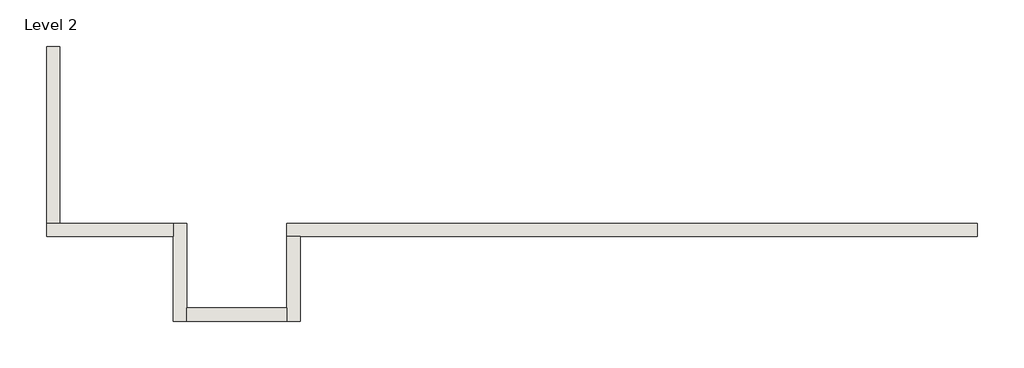
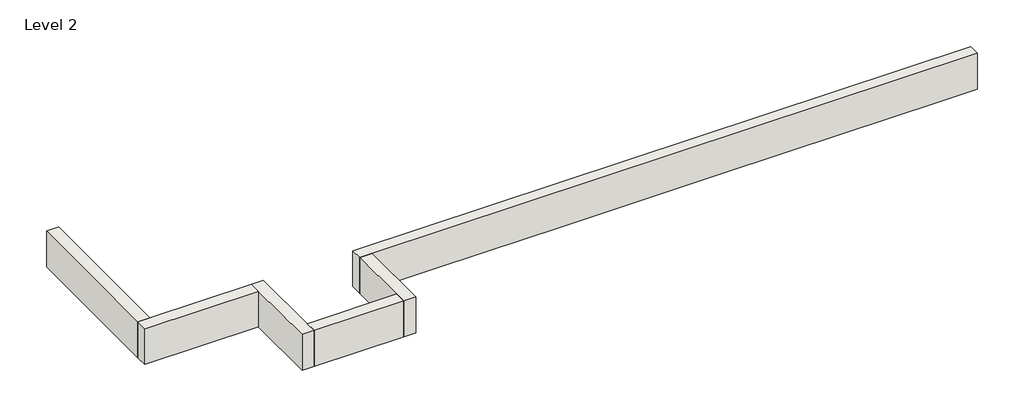
# One storey: 6 walls.
"""IFC4 building model written with IfcOpenShell, lengths in millimetres."""

from ifc_helpers import new_model, si_unit, frame, origin, place, context, project, spatial, polyline, outline, extrude, faceted_brep, element, save

model = new_model("IFC4")

# Units and contexts
model_context = context("Model", 3, world=origin())
ifc_project = project(units=[si_unit("LENGTHUNIT", "METRE", prefix="MILLI")], contexts=[model_context])

# Site, building, storey
site = spatial("IfcSite", under=ifc_project)
building = spatial("IfcBuilding", under=site)
storey = spatial("IfcBuildingStorey", under=building, Name="Level 2", Elevation=3048.0)

# Walls
placement = place(None, origin())
element("IfcWall", 1, ObjectType="Generic - 8\" Brick", at=placement, inside=storey, context=model_context, shape_type="Brep", body=[
    faceted_brep([(11582.357857, 1412.8726187, 3048.0), (10972.757857, 1412.8726187, 3048.0), (8534.357857, 1412.8726187, 3048.0), (7315.157857, 1412.8726187, 3048.0), (4876.757857, 1412.8726187, 3048.0), (3657.557857, 1412.8726187, 3048.0), (1635.0852383, 1412.8726187, 3048.0), (1635.0852383, 1412.8726187, 3657.6), (11582.357857, 1412.8726187, 3657.6), (11582.357857, 1219.1976187, 3048.0), (11582.357857, 1219.1976187, 3657.6), (1828.7602383, 1219.1976187, 3657.6), (1635.0852383, 1219.1976187, 3657.6), (1635.0852383, 1219.1976187, 3048.0), (1828.7602383, 1219.1976187, 3048.0), (3657.557857, 1219.1976187, 3048.0), (4876.757857, 1219.1976187, 3048.0), (7315.157857, 1219.1976187, 3048.0), (8534.357857, 1219.1976187, 3048.0), (10972.757857, 1219.1976187, 3048.0)], [[[0, 1, 2, 3, 4, 5, 6, 7, 8]], [[9, 10, 11, 12, 13, 14, 15, 16, 17, 18, 19]], [[6, 5, 4, 3, 2, 1, 0, 9, 19, 18, 17, 16, 15, 14, 13]], [[8, 7, 12, 11, 10]], [[0, 8, 10, 9]], [[7, 6, 13, 12]]]),
])
element("IfcWall", 2, ObjectType="Generic - 8\" Brick", at=placement, inside=storey, context=model_context, shape_type="Brep", body=[
    faceted_brep([(1635.0852383, 1219.1976187, 3048.0), (1635.0852383, 193.675, 3048.0), (1635.0852383, 0.0, 3048.0), (1635.0852383, 0.0, 3657.6), (1635.0852383, 193.675, 3657.6), (1635.0852383, 1219.1976187, 3657.6), (1828.7602383, 1219.1976187, 3048.0), (1828.7602383, 1219.1976187, 3657.6), (1828.7602383, 0.0, 3657.6), (1828.7602383, 0.0, 3048.0)], [[[0, 1, 2, 3, 4, 5]], [[6, 7, 8, 9]], [[2, 1, 0, 6, 9]], [[5, 4, 3, 8, 7]], [[0, 5, 7, 6]], [[3, 2, 9, 8]]]),
])
element("IfcWall", 3, ObjectType="Generic - 8\" Brick", at=placement, inside=storey, context=model_context, shape_type="SweptSolid", body=[
    extrude(outline(polyline([(193.632857, 193.675), (1635.0852383, 193.675), (1635.0852383, 0.0), (193.632857, 0.0), (193.632857, 193.675)])), frame((0.0, 0.0, 3048.0), z_axis=(0.0, 0.0, 1.0), x_axis=(1.0, 0.0, 0.0)), (0.0, 0.0, 1.0), 609.6),
])
element("IfcWall", 4, ObjectType="Generic - 8\" Brick", at=placement, inside=storey, context=model_context, shape_type="Brep", body=[
    faceted_brep([(193.632857, 0.0, 3048.0), (193.632857, 193.675, 3048.0), (193.632857, 1412.8726187, 3048.0), (193.632857, 1412.8726187, 3657.6), (193.632857, 193.675, 3657.6), (193.632857, 0.0, 3657.6), (-0.042143, 0.0, 3048.0), (-0.042143, 0.0, 3657.6), (-0.042143, 1219.1976187, 3657.6), (-0.042143, 1412.8726187, 3657.6), (-0.042143, 1412.8726187, 3048.0), (-0.042143, 1219.1976187, 3048.0)], [[[0, 1, 2, 3, 4, 5]], [[6, 7, 8, 9, 10, 11]], [[2, 1, 0, 6, 11, 10]], [[5, 4, 3, 9, 8, 7]], [[0, 5, 7, 6]], [[3, 2, 10, 9]]]),
])
element("IfcWall", 5, ObjectType="Generic - 8\" Brick", at=placement, inside=storey, context=model_context, shape_type="Brep", body=[
    faceted_brep([(-0.042143, 1412.8726187, 3048.0), (-1635.135393, 1412.8726187, 3048.0), (-1828.810393, 1412.8726187, 3048.0), (-1828.810393, 1412.8726187, 3657.6), (-1635.135393, 1412.8726187, 3657.6), (-0.042143, 1412.8726187, 3657.6), (-0.042143, 1219.1976187, 3048.0), (-0.042143, 1219.1976187, 3657.6), (-1828.810393, 1219.1976187, 3657.6), (-1828.810393, 1219.1976187, 3048.0)], [[[0, 1, 2, 3, 4, 5]], [[6, 7, 8, 9]], [[2, 1, 0, 6, 9]], [[5, 4, 3, 8, 7]], [[0, 5, 7, 6]], [[3, 2, 9, 8]]]),
])
element("IfcWall", 6, ObjectType="Generic - 8\" Brick", at=placement, inside=storey, context=model_context, shape_type="Brep", body=[
    faceted_brep([(-1635.135393, 1412.8726187, 3048.0), (-1635.135393, 3047.96825, 3048.0), (-1635.135393, 3962.36825, 3048.0), (-1635.135393, 3962.36825, 3657.6), (-1635.135393, 1412.8726187, 3657.6), (-1828.810393, 1412.8726187, 3048.0), (-1828.810393, 1412.8726187, 3657.6), (-1828.810393, 3962.36825, 3657.6), (-1828.810393, 3962.36825, 3048.0), (-1828.810393, 3047.96825, 3048.0)], [[[0, 1, 2, 3, 4]], [[5, 6, 7, 8, 9]], [[2, 1, 0, 5, 9, 8]], [[3, 2, 8, 7]], [[4, 3, 7, 6]], [[0, 4, 6, 5]]]),
])

save(model, "model.ifc")
